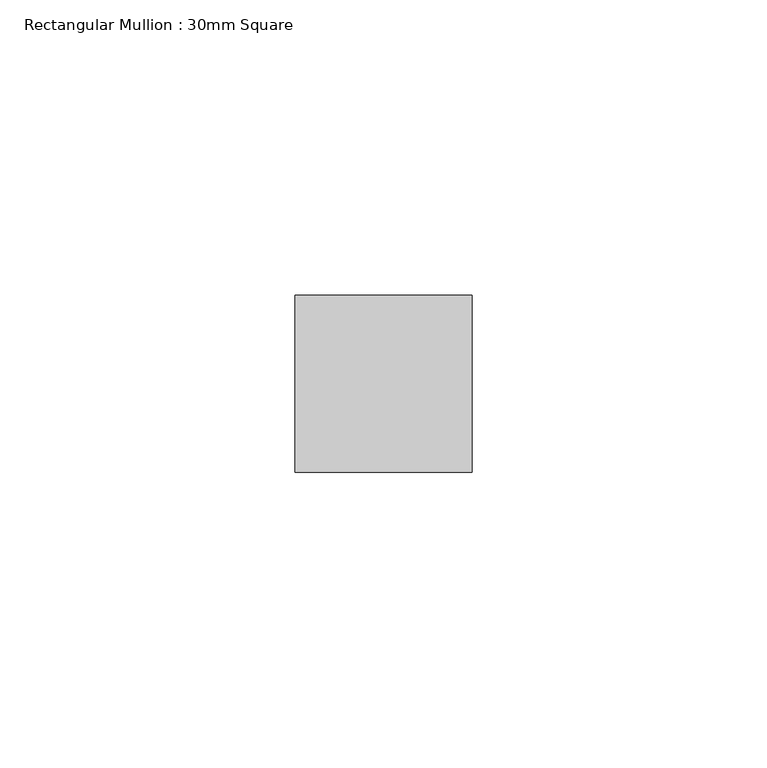
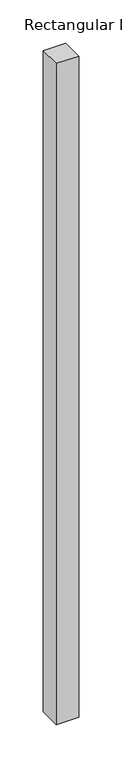
"""IFC4 building model written with IfcOpenShell, lengths in millimetres: member geometry, Rectangular Mullion : 30mm Square."""

from ifc_helpers import new_model, si_unit, frame, origin, place, context, project, spatial, polyline, outline, extrude, source, transform, mapped, element, save


def rectangular_mullion_30mm_square_3ccb2df8(model_context):
    return source(origin(), model_context, "Body", "SweptSolid", [
        extrude(outline(polyline([(15.0, 15.0), (15.0, -15.0), (-15.0, -15.0), (-15.0, 15.0), (15.0, 15.0)])), frame((0.0, 0.0, -934.6171562), z_axis=(0.0, 0.0, 1.0), x_axis=(1.0, 0.0, 0.0)), (0.0, 0.0, 1.0), 934.6171562),
    ])


if __name__ == "__main__":
    model = new_model("IFC4")
    model_context = context("Model", 3, world=origin())
    ifc_project = project(units=[si_unit("LENGTHUNIT", "METRE", prefix="MILLI")], contexts=[model_context])
    site = spatial("IfcSite", under=ifc_project)
    building = spatial("IfcBuilding", under=site)
    placement = place(None, origin())
    rectangular_mullion_30mm_square_shape = rectangular_mullion_30mm_square_3ccb2df8(model_context)
    element("IfcMember", 1, ObjectType="Rectangular Mullion : 30mm Square", at=placement, inside=building, context=model_context, shape_type="MappedRepresentation", body=[
        mapped(rectangular_mullion_30mm_square_shape, transform((0.0, 0.0, 0.0), x_axis=(1.0, 0.0, 0.0), y_axis=(0.0, 1.0, 0.0), z_axis=(0.0, 0.0, 1.0))),
    ])
    save(model, "model.ifc")
